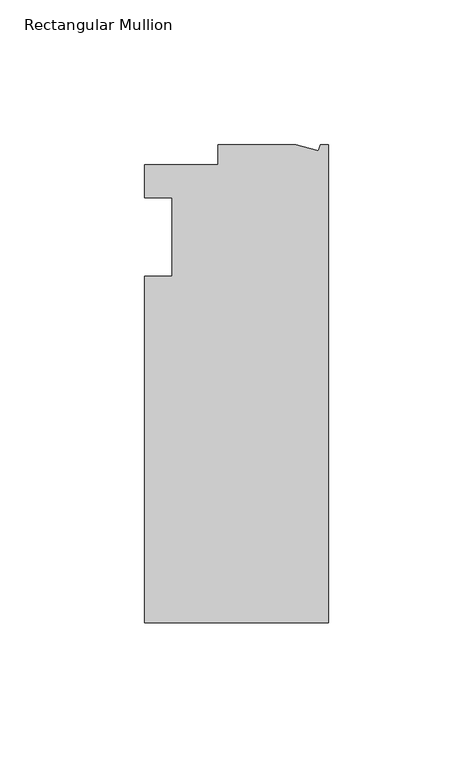
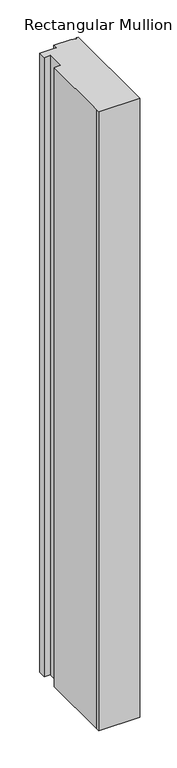
"""IFC4 building model written with IfcOpenShell, lengths in millimetres: member geometry, Rectangular Mullion."""

import ifcopenshell
import ifcopenshell.guid

model = None  # the IFC model being written
_history = None  # IfcOwnerHistory: only IFC2X3 demands one
_inside = {}  # id of a spatial element -> (the spatial element, [elements in it])
_under = {}  # id of a project, library or spatial element -> (it, [spatial elements below it])
_declared = {}  # id of a project -> (the project, [libraries it declares])
_typed = {}  # id of a type object -> (the type object, [elements of that type])
_made_of = {}  # id of a material, layer set ... -> (it, [elements and type objects made of it])


def new_model(schema):
    """Start an empty IFC model of exactly this schema.

    Asked for "IFC4X3", IfcOpenShell would pick the latest addendum, in which some entities
    have other attributes; the version numbers below select the first issue.
    IFC2X3 requires an IfcOwnerHistory on every rooted entity: one is made here for all.
    """
    global model, _history
    if schema == "IFC4X3":
        model = ifcopenshell.file(schema_version=(4, 3, 0, 0))
    else:
        model = ifcopenshell.file(schema=schema)
    _inside.clear()
    _under.clear()
    _declared.clear()
    _typed.clear()
    _made_of.clear()
    _history = None
    if model.schema == "IFC2X3":
        org = make("IfcOrganization", Name="unknown")
        user = make(
            "IfcPersonAndOrganization",
            ThePerson=make("IfcPerson", FamilyName="unknown"),
            TheOrganization=org,
        )
        app = make(
            "IfcApplication",
            ApplicationDeveloper=org,
            Version="unknown",
            ApplicationFullName="unknown",
            ApplicationIdentifier="unknown",
        )
        _history = make(
            "IfcOwnerHistory",
            OwningUser=user,
            OwningApplication=app,
            ChangeAction="ADDED",
            CreationDate=0,
        )
    return model


def make(cls, **values):
    """One entity of the class cls with the attributes given. An attribute that is None is left unset."""
    return model.create_entity(
        cls, **{name: value for name, value in values.items() if value is not None}
    )


def rooted(cls, **values):
    """An entity with a GlobalId (a new one), such as an element, a storey or a relation."""
    return make(cls, GlobalId=ifcopenshell.guid.new(), OwnerHistory=_history, **values)


def si_unit(unit_type, name, prefix=None):
    """IfcSIUnit, for example si_unit("LENGTHUNIT", "METRE", prefix="MILLI")."""
    return make("IfcSIUnit", UnitType=unit_type, Prefix=prefix, Name=name)


def assignment(units):
    """IfcUnitAssignment: the units of a project."""
    return None if units is None else make("IfcUnitAssignment", Units=units)


def point(xyz):
    """IfcCartesianPoint."""
    return None if xyz is None else make("IfcCartesianPoint", Coordinates=xyz)


def direction(xyz):
    """IfcDirection."""
    return None if xyz is None else make("IfcDirection", DirectionRatios=xyz)


def frame(location, z_axis=None, x_axis=None):
    """IfcAxis2Placement3D, a coordinate frame: its origin and axes. An axis left out is left unset."""
    return make(
        "IfcAxis2Placement3D",
        Location=point(location),
        Axis=direction(z_axis),
        RefDirection=direction(x_axis),
    )


def origin():
    """The frame at (0, 0, 0) with its axes left unset."""
    return frame((0.0, 0.0, 0.0))


def place(relative_to, where):
    """IfcLocalPlacement: puts the frame where relative to a parent placement (None: the world)."""
    return make(
        "IfcLocalPlacement", PlacementRelTo=relative_to, RelativePlacement=where
    )


def context(
    kind, dimensions, precision=None, world=None, true_north=None, identifier=None
):
    """IfcGeometricRepresentationContext, for example the 3D "Model" context."""
    return make(
        "IfcGeometricRepresentationContext",
        ContextIdentifier=identifier,
        ContextType=kind,
        CoordinateSpaceDimension=dimensions,
        Precision=precision,
        WorldCoordinateSystem=world,
        TrueNorth=true_north,
    )


def project(units=None, contexts=None):
    """IfcProject with its units and contexts."""
    return rooted(
        "IfcProject",
        Name="project",
        RepresentationContexts=contexts,
        UnitsInContext=assignment(units),
    )


def spatial(cls, under=None, at=None, **own):
    """A site, building, storey or space (cls), placed at a placement, below another one or the project."""
    s = rooted(cls, ObjectPlacement=at, **own)
    if under is not None:
        _under.setdefault(under.id(), (under, []))[1].append(s)
    return s


def polyline(points):
    """IfcPolyline through the points."""
    return make("IfcPolyline", Points=[point(p) for p in points])


def outline(outer, holes=None, kind="AREA"):
    """IfcArbitraryClosedProfileDef: a profile drawn as a closed curve; with holes, ...WithVoids."""
    if holes is None:
        return make("IfcArbitraryClosedProfileDef", ProfileType=kind, OuterCurve=outer)
    return make(
        "IfcArbitraryProfileDefWithVoids",
        ProfileType=kind,
        OuterCurve=outer,
        InnerCurves=holes,
    )


def extrude(swept, where, along, depth):
    """IfcExtrudedAreaSolid: the profile swept, set in the frame where, extruded along a direction by depth."""
    return make(
        "IfcExtrudedAreaSolid",
        SweptArea=swept,
        Position=where,
        ExtrudedDirection=direction(along),
        Depth=depth,
    )


def shape(context_of_items, identifier, shape_type, items):
    """IfcShapeRepresentation: the items that make up one representation, for example the "Body"."""
    return make(
        "IfcShapeRepresentation",
        ContextOfItems=context_of_items,
        RepresentationIdentifier=identifier,
        RepresentationType=shape_type,
        Items=items,
    )


def source(mapping_origin, context_of_items, identifier, shape_type, items):
    """IfcRepresentationMap: a shape defined once, which mapped items show again and again."""
    return make(
        "IfcRepresentationMap",
        MappingOrigin=mapping_origin,
        MappedRepresentation=shape(context_of_items, identifier, shape_type, items),
    )


def transform(
    local_origin,
    x_axis=None,
    y_axis=None,
    z_axis=None,
    scale=None,
    scale2=None,
    scale3=None,
    uniform=True,
):
    """IfcCartesianTransformationOperator3D, or its non-uniform kind. x_axis, y_axis, z_axis: its Axis1, 2, 3."""
    if uniform:
        return make(
            "IfcCartesianTransformationOperator3D",
            Axis1=direction(x_axis),
            Axis2=direction(y_axis),
            LocalOrigin=point(local_origin),
            Scale=scale,
            Axis3=direction(z_axis),
        )
    return make(
        "IfcCartesianTransformationOperator3DnonUniform",
        Axis1=direction(x_axis),
        Axis2=direction(y_axis),
        LocalOrigin=point(local_origin),
        Scale=scale,
        Axis3=direction(z_axis),
        Scale2=scale2,
        Scale3=scale3,
    )


def mapped(mapping_source, mapping_target):
    """IfcMappedItem: shows the shape of a source again, moved by a transform."""
    return make(
        "IfcMappedItem", MappingSource=mapping_source, MappingTarget=mapping_target
    )


def made_of(thing, what):
    """Note that an element or type object is made of a material, layer set ...; save() writes the relation."""
    if what is not None:
        _made_of.setdefault(what.id(), (what, []))[1].append(thing)
    return thing


def element(
    cls,
    number,
    at=None,
    inside=None,
    cuts=None,
    type_object=None,
    material=None,
    context=None,
    identifier="Body",
    shape_type=None,
    held_by="IfcProductDefinitionShape",
    body=None,
    shapes=None,
    **own,
):
    """One element of the class cls, such as IfcWall. Its Tag is "e" and its number.

    at: its placement. inside: the storey or other place that contains it. cuts: it is an
    opening in that element (IfcRelVoidsElement). A single representation is given by context,
    identifier, shape_type and body (its items); several are given by shapes. held_by: the class
    of the entity that holds the representations. save() writes the other relations.
    """
    e = rooted(cls, Tag="e%d" % number, ObjectPlacement=at, **own)
    if body is not None:
        shapes = [shape(context, identifier, shape_type, body)]
    if shapes is not None:
        e.Representation = make(held_by, Representations=shapes)
    if inside is not None:
        _inside.setdefault(inside.id(), (inside, []))[1].append(e)
    if cuts is not None:
        rooted(
            "IfcRelVoidsElement", RelatingBuildingElement=cuts, RelatedOpeningElement=e
        )
    if type_object is not None:
        _typed.setdefault(type_object.id(), (type_object, []))[1].append(e)
    return made_of(e, material)


def aggregate(whole, parts):
    """IfcRelAggregates: a whole, such as a stair, and the parts it consists of."""
    return rooted("IfcRelAggregates", RelatingObject=whole, RelatedObjects=parts)


def save(model, path):
    """Write the relations noted so far, then the file.

    IfcRelAggregates (storeys below a building ...), IfcRelContainedInSpatialStructure (elements
    in a storey), IfcRelDefinesByType, IfcRelAssociatesMaterial and IfcRelDeclares: one each for
    every whole, place, type object, material and project.
    """
    for whole, parts in _under.values():
        aggregate(whole, parts)
    for where, things in _inside.values():
        rooted(
            "IfcRelContainedInSpatialStructure",
            RelatedElements=things,
            RelatingStructure=where,
        )
    for kind, things in _typed.values():
        rooted("IfcRelDefinesByType", RelatedObjects=things, RelatingType=kind)
    for what, things in _made_of.values():
        rooted("IfcRelAssociatesMaterial", RelatedObjects=things, RelatingMaterial=what)
    for by, libraries in _declared.values():
        rooted("IfcRelDeclares", RelatingContext=by, RelatedDefinitions=libraries)
    model.write(path)


def rectangular_mullion_450419fb(model_context):
    return source(origin(), model_context, "Body", "SweptSolid", [
        extrude(outline(polyline([(0.0, -131.0674452), (-63.5, -131.0674452), (-63.5, -124.7174452), (-63.5, -11.3942812), (-53.975, -11.3942812), (-53.975, 15.6924375), (-63.5, 15.6924375), (-63.5, 27.0729548), (-38.1, 27.0729548), (-38.1, 34.0325548), (-11.1125, 34.0325548), (-3.3223696, 31.9451957), (-2.7630634, 34.0325548), (0.0, 34.0325548), (0.0, -131.0674452)])), frame((0.0, 0.0, -1016.0), z_axis=(0.0, 0.0, 1.0), x_axis=(1.0, 0.0, 0.0)), (0.0, 0.0, 1.0), 1016.0),
    ])


if __name__ == "__main__":
    model = new_model("IFC4")
    model_context = context("Model", 3, world=origin())
    ifc_project = project(units=[si_unit("LENGTHUNIT", "METRE", prefix="MILLI")], contexts=[model_context])
    site = spatial("IfcSite", under=ifc_project)
    building = spatial("IfcBuilding", under=site)
    placement = place(None, origin())
    rectangular_mullion_shape = rectangular_mullion_450419fb(model_context)
    element("IfcMember", 1, ObjectType="Rectangular Mullion", at=placement, inside=building, context=model_context, shape_type="MappedRepresentation", body=[
        mapped(rectangular_mullion_shape, transform((0.0, 0.0, 0.0), x_axis=(1.0, 0.0, 0.0), y_axis=(0.0, 1.0, 0.0), z_axis=(0.0, 0.0, 1.0))),
    ])
    save(model, "model.ifc")
